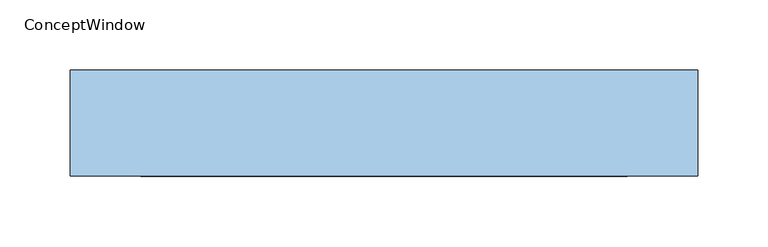
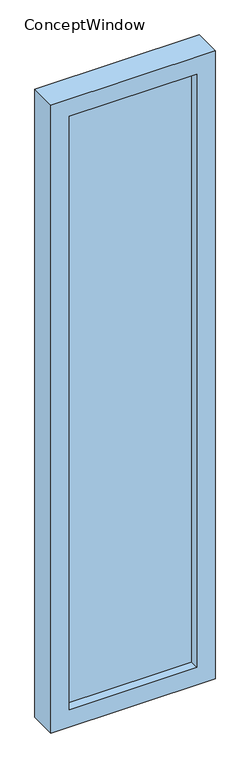
"""IFC4 building model written with IfcOpenShell, lengths in millimetres: window geometry, ConceptWindow."""

from ifc_helpers import new_model, si_unit, frame, origin, place, context, project, spatial, polyline, outline, extrude, source, transform, mapped, element, save


def conceptwindow_c807d3db(model_context):
    return source(origin(), model_context, "Body", "SweptSolid", [
        extrude(outline(polyline([(172.5, 57.5), (-172.5, 57.5), (-172.5, 82.5), (172.5, 82.5), (172.5, 57.5)])), frame((0.0, 0.0, 850.0), z_axis=(0.0, 0.0, 1.0), x_axis=(1.0, 0.0, 0.0)), (0.0, 0.0, 1.0), 1700.0),
        extrude(outline(polyline([(2600.0, -222.5), (800.0, -222.5), (800.0, 222.5), (2600.0, 222.5), (2600.0, -222.5)]), holes=[polyline([(2550.0, -172.5), (2550.0, 172.5), (850.0, 172.5), (850.0, -172.5), (2550.0, -172.5)])]), frame((0.0, 32.5, 0.0), z_axis=(0.0, 1.0, 0.0), x_axis=(0.0, 0.0, 1.0)), (0.0, 0.0, 1.0), 75.0),
    ])


if __name__ == "__main__":
    model = new_model("IFC4")
    model_context = context("Model", 3, world=origin())
    ifc_project = project(units=[si_unit("LENGTHUNIT", "METRE", prefix="MILLI")], contexts=[model_context])
    site = spatial("IfcSite", under=ifc_project)
    building = spatial("IfcBuilding", under=site)
    placement = place(None, origin())
    conceptwindow_shape = conceptwindow_c807d3db(model_context)
    element("IfcWindow", 1, ObjectType="ConceptWindow", at=placement, inside=building, context=model_context, shape_type="MappedRepresentation", body=[
        mapped(conceptwindow_shape, transform((0.0, 0.0, 0.0), x_axis=(1.0, 0.0, 0.0), y_axis=(0.0, 1.0, 0.0), z_axis=(0.0, 0.0, 1.0))),
    ])
    save(model, "model.ifc")
